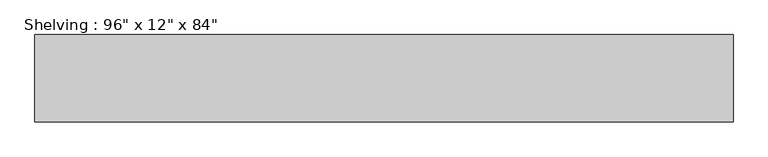
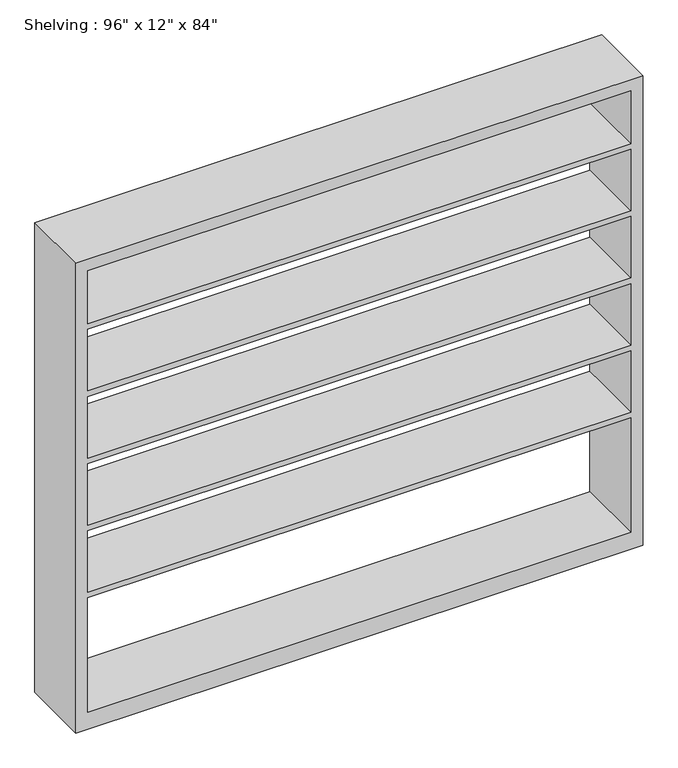
"""IFC4 building model written with IfcOpenShell, lengths in millimetres: furniture geometry."""

from ifc_helpers import new_model, si_unit, frame, origin, place, context, project, spatial, polyline, outline, extrude, source, transform, mapped, element, save


def furniture_33c9adaf(model_context):
    return source(origin(), model_context, "Body", "SweptSolid", [
        extrude(outline(polyline([(0.0, 1219.2), (2133.6, 1219.2), (2133.6, -1219.2), (0.0, -1219.2), (0.0, 1219.2)]), holes=[polyline([(2082.8, 1168.4), (1841.5, 1168.4), (1841.5, -1168.4), (2082.8, -1168.4), (2082.8, 1168.4)]), polyline([(76.2, 1168.4), (76.2, -1168.4), (596.9, -1168.4), (596.9, 1168.4), (76.2, 1168.4)]), polyline([(1231.9, -1168.4), (1511.3, -1168.4), (1511.3, 1168.4), (1231.9, 1168.4), (1231.9, -1168.4)]), polyline([(1816.1, 1168.4), (1536.7, 1168.4), (1536.7, -1168.4), (1816.1, -1168.4), (1816.1, 1168.4)]), polyline([(1206.5, 1168.4), (927.1, 1168.4), (927.1, -1168.4), (1206.5, -1168.4), (1206.5, 1168.4)]), polyline([(901.7, 1168.4), (622.3, 1168.4), (622.3, -1168.4), (901.7, -1168.4), (901.7, 1168.4)])]), frame((0.0, 152.4, 0.0), z_axis=(0.0, 1.0, 0.0), x_axis=(0.0, 0.0, 1.0)), (0.0, 0.0, 1.0), 304.8),
    ])


if __name__ == "__main__":
    model = new_model("IFC4")
    model_context = context("Model", 3, world=origin())
    ifc_project = project(units=[si_unit("LENGTHUNIT", "METRE", prefix="MILLI")], contexts=[model_context])
    site = spatial("IfcSite", under=ifc_project)
    building = spatial("IfcBuilding", under=site)
    placement = place(None, origin())
    furniture_shape = furniture_33c9adaf(model_context)
    element("IfcFurniture", 1, ObjectType="Shelving : 96\" x 12\" x 84\"", at=placement, inside=building, context=model_context, shape_type="MappedRepresentation", body=[
        mapped(furniture_shape, transform((0.0, 0.0, 0.0), x_axis=(1.0, 0.0, 0.0), y_axis=(0.0, 1.0, 0.0), z_axis=(0.0, 0.0, 1.0))),
    ])
    save(model, "model.ifc")
